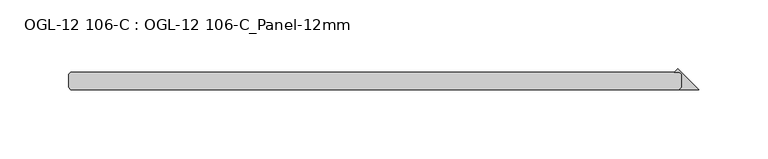
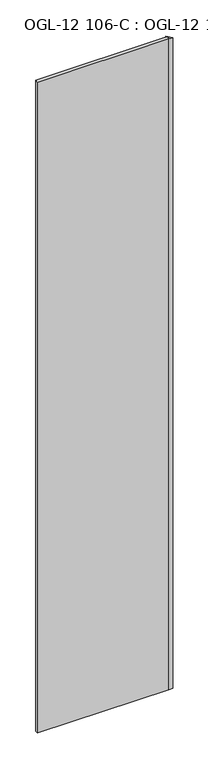
"""IFC4 building model written with IfcOpenShell, lengths in millimetres: plate geometry, OGL-12 106-C : OGL-12 106-C_Panel-12mm."""

from ifc_helpers import new_model, si_unit, origin, origin_with_axes, place, context, project, spatial, polyline, outline, extrude, source, transform, mapped, element, save


def ogl_12_106_c_ogl_12_106_c_panel_12mm_bce3194d(model_context):
    return source(origin(), model_context, "Body", "SweptSolid", [
        extrude(outline(polyline([(220.6519625, -4.7625), (220.6519625, 4.7625), (219.0644625, 6.35), (215.2318984, 6.35), (217.9419305, 9.060032), (233.3519625, -6.35), (219.0644625, -6.35), (220.6519625, -4.7625)])), origin_with_axes(), (0.0, 0.0, 1.0), 2339.9738578),
        extrude(outline(polyline([(219.0644625, -6.35), (-225.4144625, -6.35), (-227.0019625, -4.7625), (-227.0019625, 4.7625), (-225.4144625, 6.35), (219.0644625, 6.35), (220.6519625, 4.7625), (220.6519625, -4.7625), (219.0644625, -6.35)])), origin_with_axes(), (0.0, 0.0, 1.0), 2339.9738578),
    ])


if __name__ == "__main__":
    model = new_model("IFC4")
    model_context = context("Model", 3, world=origin())
    ifc_project = project(units=[si_unit("LENGTHUNIT", "METRE", prefix="MILLI")], contexts=[model_context])
    site = spatial("IfcSite", under=ifc_project)
    building = spatial("IfcBuilding", under=site)
    placement = place(None, origin())
    ogl_12_106_c_ogl_12_106_c_panel_12mm_shape = ogl_12_106_c_ogl_12_106_c_panel_12mm_bce3194d(model_context)
    element("IfcPlate", 1, ObjectType="OGL-12 106-C : OGL-12 106-C_Panel-12mm", at=placement, inside=building, context=model_context, shape_type="MappedRepresentation", body=[
        mapped(ogl_12_106_c_ogl_12_106_c_panel_12mm_shape, transform((0.0, 0.0, 0.0), x_axis=(1.0, 0.0, 0.0), y_axis=(0.0, 1.0, 0.0), z_axis=(0.0, 0.0, 1.0))),
    ])
    save(model, "model.ifc")
